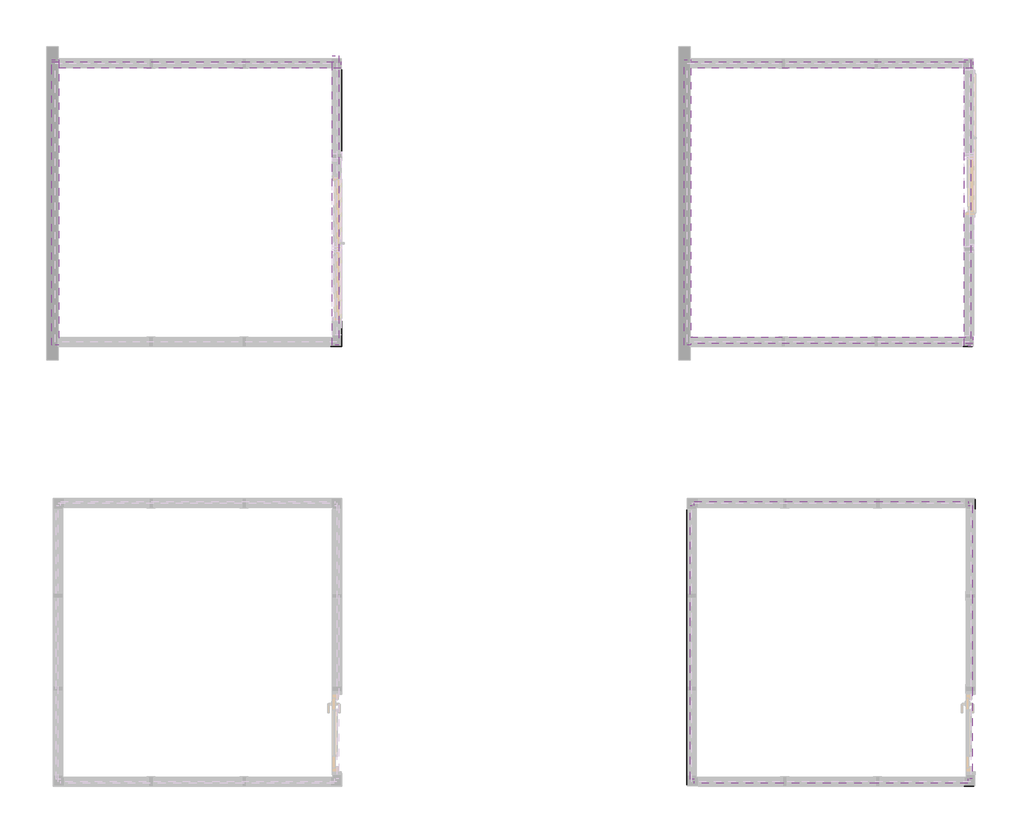
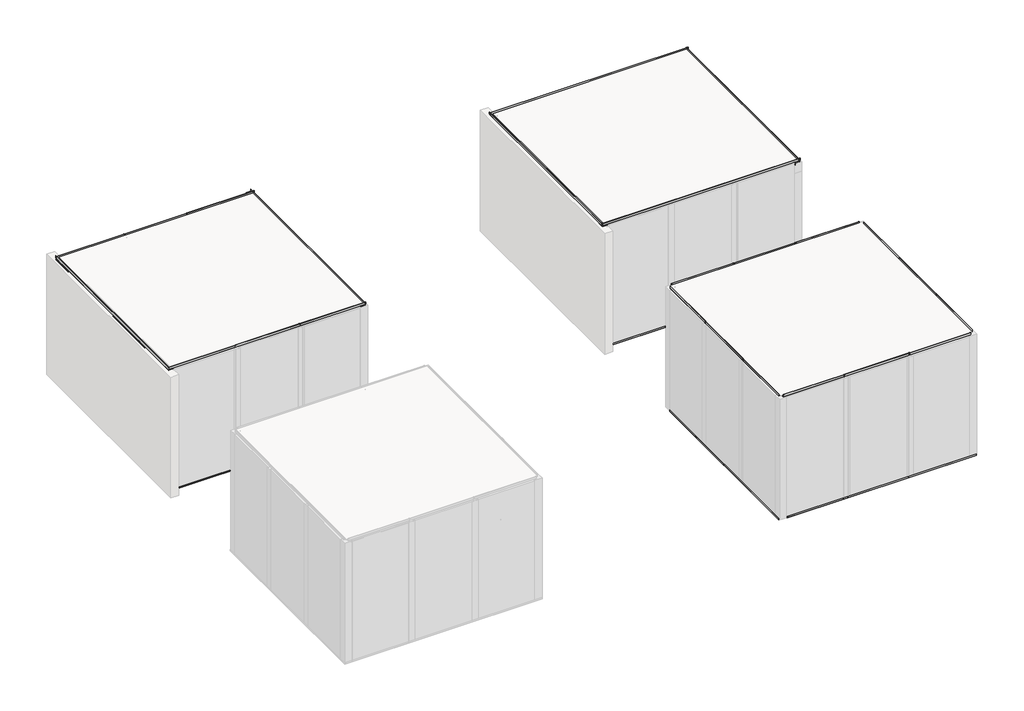
# One storey, part 4 of 4: 9 proxies.
"""IFC4 building model written with IfcOpenShell, lengths in millimetres."""

import ifcopenshell
import ifcopenshell.guid

model = None  # the IFC model being written
_history = None  # IfcOwnerHistory: only IFC2X3 demands one
_inside = {}  # id of a spatial element -> (the spatial element, [elements in it])
_under = {}  # id of a project, library or spatial element -> (it, [spatial elements below it])
_declared = {}  # id of a project -> (the project, [libraries it declares])
_typed = {}  # id of a type object -> (the type object, [elements of that type])
_made_of = {}  # id of a material, layer set ... -> (it, [elements and type objects made of it])


def new_model(schema):
    """Start an empty IFC model of exactly this schema.

    Asked for "IFC4X3", IfcOpenShell would pick the latest addendum, in which some entities
    have other attributes; the version numbers below select the first issue.
    IFC2X3 requires an IfcOwnerHistory on every rooted entity: one is made here for all.
    """
    global model, _history
    if schema == "IFC4X3":
        model = ifcopenshell.file(schema_version=(4, 3, 0, 0))
    else:
        model = ifcopenshell.file(schema=schema)
    _inside.clear()
    _under.clear()
    _declared.clear()
    _typed.clear()
    _made_of.clear()
    _history = None
    if model.schema == "IFC2X3":
        org = make("IfcOrganization", Name="unknown")
        user = make(
            "IfcPersonAndOrganization",
            ThePerson=make("IfcPerson", FamilyName="unknown"),
            TheOrganization=org,
        )
        app = make(
            "IfcApplication",
            ApplicationDeveloper=org,
            Version="unknown",
            ApplicationFullName="unknown",
            ApplicationIdentifier="unknown",
        )
        _history = make(
            "IfcOwnerHistory",
            OwningUser=user,
            OwningApplication=app,
            ChangeAction="ADDED",
            CreationDate=0,
        )
    return model


def make(cls, **values):
    """One entity of the class cls with the attributes given. An attribute that is None is left unset."""
    return model.create_entity(
        cls, **{name: value for name, value in values.items() if value is not None}
    )


def rooted(cls, **values):
    """An entity with a GlobalId (a new one), such as an element, a storey or a relation."""
    return make(cls, GlobalId=ifcopenshell.guid.new(), OwnerHistory=_history, **values)


def si_unit(unit_type, name, prefix=None):
    """IfcSIUnit, for example si_unit("LENGTHUNIT", "METRE", prefix="MILLI")."""
    return make("IfcSIUnit", UnitType=unit_type, Prefix=prefix, Name=name)


def assignment(units):
    """IfcUnitAssignment: the units of a project."""
    return None if units is None else make("IfcUnitAssignment", Units=units)


def point(xyz):
    """IfcCartesianPoint."""
    return None if xyz is None else make("IfcCartesianPoint", Coordinates=xyz)


def direction(xyz):
    """IfcDirection."""
    return None if xyz is None else make("IfcDirection", DirectionRatios=xyz)


def frame(location, z_axis=None, x_axis=None):
    """IfcAxis2Placement3D, a coordinate frame: its origin and axes. An axis left out is left unset."""
    return make(
        "IfcAxis2Placement3D",
        Location=point(location),
        Axis=direction(z_axis),
        RefDirection=direction(x_axis),
    )


def frame_2d(location, x_axis=None):
    """IfcAxis2Placement2D, a coordinate frame in the plane: its origin and x axis."""
    return make(
        "IfcAxis2Placement2D", Location=point(location), RefDirection=direction(x_axis)
    )


def origin():
    """The frame at (0, 0, 0) with its axes left unset."""
    return frame((0.0, 0.0, 0.0))


def place(relative_to, where):
    """IfcLocalPlacement: puts the frame where relative to a parent placement (None: the world)."""
    return make(
        "IfcLocalPlacement", PlacementRelTo=relative_to, RelativePlacement=where
    )


def context(
    kind, dimensions, precision=None, world=None, true_north=None, identifier=None
):
    """IfcGeometricRepresentationContext, for example the 3D "Model" context."""
    return make(
        "IfcGeometricRepresentationContext",
        ContextIdentifier=identifier,
        ContextType=kind,
        CoordinateSpaceDimension=dimensions,
        Precision=precision,
        WorldCoordinateSystem=world,
        TrueNorth=true_north,
    )


def project(units=None, contexts=None):
    """IfcProject with its units and contexts."""
    return rooted(
        "IfcProject",
        Name="project",
        RepresentationContexts=contexts,
        UnitsInContext=assignment(units),
    )


def spatial(cls, under=None, at=None, **own):
    """A site, building, storey or space (cls), placed at a placement, below another one or the project."""
    s = rooted(cls, ObjectPlacement=at, **own)
    if under is not None:
        _under.setdefault(under.id(), (under, []))[1].append(s)
    return s


def polyline(points):
    """IfcPolyline through the points."""
    return make("IfcPolyline", Points=[point(p) for p in points])


def circle_curve(where, radius):
    """IfcCircle in the frame where."""
    return make("IfcCircle", Position=where, Radius=radius)


def trimmed(basis, trim1, trim2, sense, master):
    """IfcTrimmedCurve: the piece of a basis curve between two trims."""
    return make(
        "IfcTrimmedCurve",
        BasisCurve=basis,
        Trim1=trim1,
        Trim2=trim2,
        SenseAgreement=sense,
        MasterRepresentation=master,
    )


def segment(curve, same_sense, transition):
    """IfcCompositeCurveSegment."""
    return make(
        "IfcCompositeCurveSegment",
        Transition=transition,
        SameSense=same_sense,
        ParentCurve=curve,
    )


def composite_curve(segments, self_intersect=None):
    """IfcCompositeCurve: segments joined end to end."""
    return make("IfcCompositeCurve", Segments=segments, SelfIntersect=self_intersect)


def outline(outer, holes=None, kind="AREA"):
    """IfcArbitraryClosedProfileDef: a profile drawn as a closed curve; with holes, ...WithVoids."""
    if holes is None:
        return make("IfcArbitraryClosedProfileDef", ProfileType=kind, OuterCurve=outer)
    return make(
        "IfcArbitraryProfileDefWithVoids",
        ProfileType=kind,
        OuterCurve=outer,
        InnerCurves=holes,
    )


def extrude(swept, where, along, depth):
    """IfcExtrudedAreaSolid: the profile swept, set in the frame where, extruded along a direction by depth."""
    return make(
        "IfcExtrudedAreaSolid",
        SweptArea=swept,
        Position=where,
        ExtrudedDirection=direction(along),
        Depth=depth,
    )


def faces_of(points, faces, orient=None, outer=None):
    """IfcFace entities. A face is a list of loops; a loop is a list of indices into points, from 0.

    orient and outer hold one flag for each loop. By default every Orientation is true, the
    first loop of a face is its IfcFaceOuterBound and the others are IfcFaceBound.
    """
    made = []
    for i, loops in enumerate(faces):
        bounds = []
        for j, loop in enumerate(loops):
            is_outer = j == 0 if outer is None else outer[i][j]
            bounds.append(
                make(
                    "IfcFaceOuterBound" if is_outer else "IfcFaceBound",
                    Bound=make("IfcPolyLoop", Polygon=[points[k] for k in loop]),
                    Orientation=True if orient is None else orient[i][j],
                )
            )
        made.append(make("IfcFace", Bounds=bounds))
    return made


def faceted_brep(points, faces, orient=None, outer=None, voids=None):
    """IfcFacetedBrep: a solid bounded by flat faces; with voids (closed shells), ...WithVoids."""
    shared = [point(p) for p in points]
    hull = make("IfcClosedShell", CfsFaces=faces_of(shared, faces, orient, outer))
    if voids is None:
        return make("IfcFacetedBrep", Outer=hull)
    return make(
        "IfcFacetedBrepWithVoids",
        Outer=hull,
        Voids=[
            make(cls, CfsFaces=faces_of(shared, fs, o, b)) for cls, fs, o, b in voids
        ],
    )


def shape(context_of_items, identifier, shape_type, items):
    """IfcShapeRepresentation: the items that make up one representation, for example the "Body"."""
    return make(
        "IfcShapeRepresentation",
        ContextOfItems=context_of_items,
        RepresentationIdentifier=identifier,
        RepresentationType=shape_type,
        Items=items,
    )


def made_of(thing, what):
    """Note that an element or type object is made of a material, layer set ...; save() writes the relation."""
    if what is not None:
        _made_of.setdefault(what.id(), (what, []))[1].append(thing)
    return thing


def element(
    cls,
    number,
    at=None,
    inside=None,
    cuts=None,
    type_object=None,
    material=None,
    context=None,
    identifier="Body",
    shape_type=None,
    held_by="IfcProductDefinitionShape",
    body=None,
    shapes=None,
    **own,
):
    """One element of the class cls, such as IfcWall. Its Tag is "e" and its number.

    at: its placement. inside: the storey or other place that contains it. cuts: it is an
    opening in that element (IfcRelVoidsElement). A single representation is given by context,
    identifier, shape_type and body (its items); several are given by shapes. held_by: the class
    of the entity that holds the representations. save() writes the other relations.
    """
    e = rooted(cls, Tag="e%d" % number, ObjectPlacement=at, **own)
    if body is not None:
        shapes = [shape(context, identifier, shape_type, body)]
    if shapes is not None:
        e.Representation = make(held_by, Representations=shapes)
    if inside is not None:
        _inside.setdefault(inside.id(), (inside, []))[1].append(e)
    if cuts is not None:
        rooted(
            "IfcRelVoidsElement", RelatingBuildingElement=cuts, RelatedOpeningElement=e
        )
    if type_object is not None:
        _typed.setdefault(type_object.id(), (type_object, []))[1].append(e)
    return made_of(e, material)


def aggregate(whole, parts):
    """IfcRelAggregates: a whole, such as a stair, and the parts it consists of."""
    return rooted("IfcRelAggregates", RelatingObject=whole, RelatedObjects=parts)


def save(model, path):
    """Write the relations noted so far, then the file.

    IfcRelAggregates (storeys below a building ...), IfcRelContainedInSpatialStructure (elements
    in a storey), IfcRelDefinesByType, IfcRelAssociatesMaterial and IfcRelDeclares: one each for
    every whole, place, type object, material and project.
    """
    for whole, parts in _under.values():
        aggregate(whole, parts)
    for where, things in _inside.values():
        rooted(
            "IfcRelContainedInSpatialStructure",
            RelatedElements=things,
            RelatingStructure=where,
        )
    for kind, things in _typed.values():
        rooted("IfcRelDefinesByType", RelatedObjects=things, RelatingType=kind)
    for what, things in _made_of.values():
        rooted("IfcRelAssociatesMaterial", RelatedObjects=things, RelatingMaterial=what)
    for by, libraries in _declared.values():
        rooted("IfcRelDeclares", RelatingContext=by, RelatedDefinitions=libraries)
    model.write(path)


model = new_model("IFC4")

# Units and contexts
model_context = context("Model", 3, world=origin())
ifc_project = project(units=[si_unit("LENGTHUNIT", "METRE", prefix="MILLI")], contexts=[model_context])

# Site, building, storey
site = spatial("IfcSite", under=ifc_project)
building = spatial("IfcBuilding", under=site)
storey = spatial("IfcBuildingStorey", under=building, Elevation=0.0)

# Proxies
placement = place(None, origin())
element("IfcBuildingElementProxy", 1, Name="Wall Sweeps", at=placement, inside=storey, context=model_context, shape_type="SweptSolid", body=[
    extrude(outline(composite_curve([segment(trimmed(circle_curve(frame_2d((2402.68125, 13834.0864994)), 1.190625), [point((2402.68125, 13832.8958744))], [point((2402.68125, 13835.2771244))], False, "CARTESIAN"), True, "CONTINUOUS"), segment(polyline([(2402.68125, 13835.2771244), (2438.4, 13835.2771244), (2438.4, 13917.8271244), (2402.68125, 13917.8271244)]), True, "CONTINUOUS"), segment(trimmed(circle_curve(frame_2d((2402.68125, 13919.0177494)), 1.190625), [point((2402.68125, 13917.8271244))], [point((2402.68125, 13920.2083744))], False, "CARTESIAN"), True, "CONTINUOUS"), segment(polyline([(2402.68125, 13920.2083744), (2438.4, 13920.2083744), (2440.78125, 13920.2083744), (2440.78125, 13835.2771244), (2483.8421875, 13835.2771244)]), True, "CONTINUOUS"), segment(trimmed(circle_curve(frame_2d((2483.8421875, 13834.0864994)), 1.190625), [point((2483.8421875, 13835.2771244))], [point((2483.8421875, 13832.8958744))], False, "CARTESIAN"), True, "CONTINUOUS"), segment(polyline([(2483.8421875, 13832.8958744), (2402.68125, 13832.8958744)]), True, "CONTINUOUS")], self_intersect=False)), frame((0.0, 1702.3603311, 0.0), z_axis=(0.0, 1.0, 0.0), x_axis=(0.0, 0.0, 1.0)), (0.0, 0.0, 1.0), 1187.4500003),
    extrude(outline(composite_curve([segment(trimmed(circle_curve(frame_2d((2402.68125, 13834.0864994)), 1.190625), [point((2402.68125, 13832.8958744))], [point((2402.68125, 13835.2771244))], False, "CARTESIAN"), True, "CONTINUOUS"), segment(polyline([(2402.68125, 13835.2771244), (2438.4, 13835.2771244), (2438.4, 13917.8271244), (2402.68125, 13917.8271244)]), True, "CONTINUOUS"), segment(trimmed(circle_curve(frame_2d((2402.68125, 13919.0177494)), 1.190625), [point((2402.68125, 13917.8271244))], [point((2402.68125, 13920.2083744))], False, "CARTESIAN"), True, "CONTINUOUS"), segment(polyline([(2402.68125, 13920.2083744), (2438.4, 13920.2083744), (2440.78125, 13920.2083744), (2440.78125, 13835.2771244), (2483.8421875, 13835.2771244)]), True, "CONTINUOUS"), segment(trimmed(circle_curve(frame_2d((2483.8421875, 13834.0864994)), 1.190625), [point((2483.8421875, 13835.2771244))], [point((2483.8421875, 13832.8958744))], False, "CARTESIAN"), True, "CONTINUOUS"), segment(polyline([(2483.8421875, 13832.8958744), (2402.68125, 13832.8958744)]), True, "CONTINUOUS")], self_intersect=False)), frame((0.0, 2876.4219175, 0.0), z_axis=(0.0, 1.0, 0.0), x_axis=(0.0, 0.0, 1.0)), (0.0, 0.0, 1.0), 1264.0407577),
    extrude(outline(composite_curve([segment(trimmed(circle_curve(frame_2d((5350.0384561, 2402.68125)), 1.190625), [point((5351.2290811, 2402.68125))], [point((5348.8478311, 2402.68125))], False, "CARTESIAN"), True, "CONTINUOUS"), segment(polyline([(5348.8478311, 2402.68125), (5348.8478311, 2438.4), (5266.2978311, 2438.4), (5266.2978311, 2402.68125)]), True, "CONTINUOUS"), segment(trimmed(circle_curve(frame_2d((5265.1072061, 2402.68125)), 1.190625), [point((5266.2978311, 2402.68125))], [point((5263.9165811, 2402.68125))], False, "CARTESIAN"), True, "CONTINUOUS"), segment(polyline([(5263.9165811, 2402.68125), (5263.9165811, 2438.4), (5263.9165811, 2440.78125), (5348.8478311, 2440.78125), (5348.8478311, 2483.8421875)]), True, "CONTINUOUS"), segment(trimmed(circle_curve(frame_2d((5350.0384561, 2483.8421875)), 1.190625), [point((5348.8478311, 2483.8421875))], [point((5351.2290811, 2483.8421875))], False, "CARTESIAN"), True, "CONTINUOUS"), segment(polyline([(5351.2290811, 2483.8421875), (5351.2290811, 2402.68125)]), True, "CONTINUOUS")], self_intersect=False)), frame((13887.6646244, 0.0, 0.0), z_axis=(1.0, 0.0, 0.0), x_axis=(0.0, 1.0, 0.0)), (0.0, 0.0, 1.0), 1187.4500003),
    extrude(outline(composite_curve([segment(trimmed(circle_curve(frame_2d((5350.0384561, 2402.68125)), 1.190625), [point((5351.2290811, 2402.68125))], [point((5348.8478311, 2402.68125))], False, "CARTESIAN"), True, "CONTINUOUS"), segment(polyline([(5348.8478311, 2402.68125), (5348.8478311, 2438.4), (5266.2978311, 2438.4), (5266.2978311, 2402.68125)]), True, "CONTINUOUS"), segment(trimmed(circle_curve(frame_2d((5265.1072061, 2402.68125)), 1.190625), [point((5266.2978311, 2402.68125))], [point((5263.9165811, 2402.68125))], False, "CARTESIAN"), True, "CONTINUOUS"), segment(polyline([(5263.9165811, 2402.68125), (5263.9165811, 2438.4), (5263.9165811, 2440.78125), (5348.8478311, 2440.78125), (5348.8478311, 2483.8421875)]), True, "CONTINUOUS"), segment(trimmed(circle_curve(frame_2d((5350.0384561, 2483.8421875)), 1.190625), [point((5348.8478311, 2483.8421875))], [point((5351.2290811, 2483.8421875))], False, "CARTESIAN"), True, "CONTINUOUS"), segment(polyline([(5351.2290811, 2483.8421875), (5351.2290811, 2402.68125)]), True, "CONTINUOUS")], self_intersect=False)), frame((15075.1146247, 0.0, 0.0), z_axis=(1.0, 0.0, 0.0), x_axis=(0.0, 1.0, 0.0)), (0.0, 0.0, 1.0), 1187.7476562),
    extrude(outline(composite_curve([segment(polyline([(1647.5915811, 2402.68125), (1647.5915811, 2483.8421875)]), True, "CONTINUOUS"), segment(trimmed(circle_curve(frame_2d((1648.7822061, 2483.8421875)), 1.190625), [point((1647.5915811, 2483.8421875))], [point((1649.9728311, 2483.8421875))], False, "CARTESIAN"), True, "CONTINUOUS"), segment(polyline([(1649.9728311, 2483.8421875), (1649.9728311, 2440.78125), (1734.9040811, 2440.78125), (1734.9040811, 2438.4), (1734.9040811, 2402.68125)]), True, "CONTINUOUS"), segment(trimmed(circle_curve(frame_2d((1733.7134561, 2402.68125)), 1.190625), [point((1734.9040811, 2402.68125))], [point((1732.5228311, 2402.68125))], False, "CARTESIAN"), True, "CONTINUOUS"), segment(polyline([(1732.5228311, 2402.68125), (1732.5228311, 2438.4), (1649.9728311, 2438.4), (1649.9728311, 2402.68125)]), True, "CONTINUOUS"), segment(trimmed(circle_curve(frame_2d((1648.7822061, 2402.68125)), 1.190625), [point((1649.9728311, 2402.68125))], [point((1647.5915811, 2402.68125))], False, "CARTESIAN"), True, "CONTINUOUS")], self_intersect=False)), frame((15049.3238664, 0.0, 0.0), z_axis=(1.0, 0.0, 0.0), x_axis=(0.0, 1.0, 0.0)), (0.0, 0.0, 1.0), 1257.6907577),
    extrude(outline(composite_curve([segment(polyline([(1647.5915811, 2402.68125), (1647.5915811, 2483.8421875)]), True, "CONTINUOUS"), segment(trimmed(circle_curve(frame_2d((1648.7822061, 2483.8421875)), 1.190625), [point((1647.5915811, 2483.8421875))], [point((1649.9728311, 2483.8421875))], False, "CARTESIAN"), True, "CONTINUOUS"), segment(polyline([(1649.9728311, 2483.8421875), (1649.9728311, 2440.78125), (1734.9040811, 2440.78125), (1734.9040811, 2438.4), (1734.9040811, 2402.68125)]), True, "CONTINUOUS"), segment(trimmed(circle_curve(frame_2d((1733.7134561, 2402.68125)), 1.190625), [point((1734.9040811, 2402.68125))], [point((1732.5228311, 2402.68125))], False, "CARTESIAN"), True, "CONTINUOUS"), segment(polyline([(1732.5228311, 2402.68125), (1732.5228311, 2438.4), (1649.9728311, 2438.4), (1649.9728311, 2402.68125)]), True, "CONTINUOUS"), segment(trimmed(circle_curve(frame_2d((1648.7822061, 2402.68125)), 1.190625), [point((1649.9728311, 2402.68125))], [point((1647.5915811, 2402.68125))], False, "CARTESIAN"), True, "CONTINUOUS")], self_intersect=False)), frame((16294.3146241, 0.0, 0.0), z_axis=(1.0, 0.0, 0.0), x_axis=(0.0, 1.0, 0.0)), (0.0, 0.0, 1.0), 1181.1000003),
    extrude(outline(composite_curve([segment(polyline([(2402.68125, 17536.5333744), (2483.8421875, 17536.5333744)]), True, "CONTINUOUS"), segment(trimmed(circle_curve(frame_2d((2483.8421875, 17535.3427494)), 1.190625), [point((2483.8421875, 17536.5333744))], [point((2483.8421875, 17534.1521244))], False, "CARTESIAN"), True, "CONTINUOUS"), segment(polyline([(2483.8421875, 17534.1521244), (2440.78125, 17534.1521244), (2440.78125, 17449.2208744), (2438.4, 17449.2208744), (2402.68125, 17449.2208744)]), True, "CONTINUOUS"), segment(trimmed(circle_curve(frame_2d((2402.68125, 17450.4114994)), 1.190625), [point((2402.68125, 17449.2208744))], [point((2402.68125, 17451.6021244))], False, "CARTESIAN"), True, "CONTINUOUS"), segment(polyline([(2402.68125, 17451.6021244), (2438.4, 17451.6021244), (2438.4, 17534.1521244), (2402.68125, 17534.1521244)]), True, "CONTINUOUS"), segment(trimmed(circle_curve(frame_2d((2402.68125, 17535.3427494)), 1.190625), [point((2402.68125, 17534.1521244))], [point((2402.68125, 17536.5333744))], False, "CARTESIAN"), True, "CONTINUOUS")], self_intersect=False)), frame((0.0, 2896.1603308, 0.0), z_axis=(0.0, 1.0, 0.0), x_axis=(0.0, 0.0, 1.0)), (0.0, 0.0, 1.0), 1225.9407577),
    extrude(outline(composite_curve([segment(polyline([(2402.68125, 17536.5333744), (2483.8421875, 17536.5333744)]), True, "CONTINUOUS"), segment(trimmed(circle_curve(frame_2d((2483.8421875, 17535.3427494)), 1.190625), [point((2483.8421875, 17536.5333744))], [point((2483.8421875, 17534.1521244))], False, "CARTESIAN"), True, "CONTINUOUS"), segment(polyline([(2483.8421875, 17534.1521244), (2440.78125, 17534.1521244), (2440.78125, 17449.2208744), (2438.4, 17449.2208744), (2402.68125, 17449.2208744)]), True, "CONTINUOUS"), segment(trimmed(circle_curve(frame_2d((2402.68125, 17450.4114994)), 1.190625), [point((2402.68125, 17449.2208744))], [point((2402.68125, 17451.6021244))], False, "CARTESIAN"), True, "CONTINUOUS"), segment(polyline([(2402.68125, 17451.6021244), (2438.4, 17451.6021244), (2438.4, 17534.1521244), (2402.68125, 17534.1521244)]), True, "CONTINUOUS"), segment(trimmed(circle_curve(frame_2d((2402.68125, 17535.3427494)), 1.190625), [point((2402.68125, 17534.1521244))], [point((2402.68125, 17536.5333744))], False, "CARTESIAN"), True, "CONTINUOUS")], self_intersect=False)), frame((0.0, 4109.0103308, 0.0), z_axis=(0.0, 1.0, 0.0), x_axis=(0.0, 0.0, 1.0)), (0.0, 0.0, 1.0), 1187.4500003),
    extrude(outline(composite_curve([segment(trimmed(circle_curve(frame_2d((2402.68125, 13834.0864994)), 1.190625), [point((2402.68125, 13832.8958744))], [point((2402.68125, 13835.2771244))], False, "CARTESIAN"), True, "CONTINUOUS"), segment(polyline([(2402.68125, 13835.2771244), (2438.4, 13835.2771244), (2438.4, 13917.8271244), (2402.68125, 13917.8271244)]), True, "CONTINUOUS"), segment(trimmed(circle_curve(frame_2d((2402.68125, 13919.0177494)), 1.190625), [point((2402.68125, 13917.8271244))], [point((2402.68125, 13920.2083744))], False, "CARTESIAN"), True, "CONTINUOUS"), segment(polyline([(2402.68125, 13920.2083744), (2438.4, 13920.2083744), (2440.78125, 13920.2083744), (2440.78125, 13835.2771244), (2483.8421875, 13835.2771244)]), True, "CONTINUOUS"), segment(trimmed(circle_curve(frame_2d((2483.8421875, 13834.0864994)), 1.190625), [point((2483.8421875, 13835.2771244))], [point((2483.8421875, 13832.8958744))], False, "CARTESIAN"), True, "CONTINUOUS"), segment(polyline([(2483.8421875, 13832.8958744), (2402.68125, 13832.8958744)]), True, "CONTINUOUS")], self_intersect=False)), frame((0.0, 4127.8690019, 0.0), z_axis=(0.0, 1.0, 0.0), x_axis=(0.0, 0.0, 1.0)), (0.0, 0.0, 1.0), 1168.5913292),
    extrude(outline(composite_curve([segment(polyline([(2402.68125, 17536.5333744), (2483.8421875, 17536.5333744)]), True, "CONTINUOUS"), segment(trimmed(circle_curve(frame_2d((2483.8421875, 17535.3427494)), 1.190625), [point((2483.8421875, 17536.5333744))], [point((2483.8421875, 17534.1521244))], False, "CARTESIAN"), True, "CONTINUOUS"), segment(polyline([(2483.8421875, 17534.1521244), (2440.78125, 17534.1521244), (2440.78125, 17449.2208744), (2438.4, 17449.2208744), (2402.68125, 17449.2208744)]), True, "CONTINUOUS"), segment(trimmed(circle_curve(frame_2d((2402.68125, 17450.4114994)), 1.190625), [point((2402.68125, 17449.2208744))], [point((2402.68125, 17451.6021244))], False, "CARTESIAN"), True, "CONTINUOUS"), segment(polyline([(2402.68125, 17451.6021244), (2438.4, 17451.6021244), (2438.4, 17534.1521244), (2402.68125, 17534.1521244)]), True, "CONTINUOUS"), segment(trimmed(circle_curve(frame_2d((2402.68125, 17535.3427494)), 1.190625), [point((2402.68125, 17534.1521244))], [point((2402.68125, 17536.5333744))], False, "CARTESIAN"), True, "CONTINUOUS")], self_intersect=False)), frame((0.0, 1708.7103311, 0.0), z_axis=(0.0, 1.0, 0.0), x_axis=(0.0, 0.0, 1.0)), (0.0, 0.0, 1.0), 1200.3413292),
    extrude(outline(composite_curve([segment(trimmed(circle_curve(frame_2d((5350.0384561, 2402.68125)), 1.190625), [point((5351.2290811, 2402.68125))], [point((5348.8478311, 2402.68125))], False, "CARTESIAN"), True, "CONTINUOUS"), segment(polyline([(5348.8478311, 2402.68125), (5348.8478311, 2438.4), (5266.2978311, 2438.4), (5266.2978311, 2402.68125)]), True, "CONTINUOUS"), segment(trimmed(circle_curve(frame_2d((5265.1072061, 2402.68125)), 1.190625), [point((5266.2978311, 2402.68125))], [point((5263.9165811, 2402.68125))], False, "CARTESIAN"), True, "CONTINUOUS"), segment(polyline([(5263.9165811, 2402.68125), (5263.9165811, 2438.4), (5263.9165811, 2440.78125), (5348.8478311, 2440.78125), (5348.8478311, 2483.8421875)]), True, "CONTINUOUS"), segment(trimmed(circle_curve(frame_2d((5350.0384561, 2483.8421875)), 1.190625), [point((5348.8478311, 2483.8421875))], [point((5351.2290811, 2483.8421875))], False, "CARTESIAN"), True, "CONTINUOUS"), segment(polyline([(5351.2290811, 2483.8421875), (5351.2290811, 2402.68125)]), True, "CONTINUOUS")], self_intersect=False)), frame((16249.7715232, 0.0, 0.0), z_axis=(1.0, 0.0, 0.0), x_axis=(0.0, 1.0, 0.0)), (0.0, 0.0, 1.0), 1231.9931011),
    extrude(outline(composite_curve([segment(polyline([(1647.5915811, 2402.68125), (1647.5915811, 2483.8421875)]), True, "CONTINUOUS"), segment(trimmed(circle_curve(frame_2d((1648.7822061, 2483.8421875)), 1.190625), [point((1647.5915811, 2483.8421875))], [point((1649.9728311, 2483.8421875))], False, "CARTESIAN"), True, "CONTINUOUS"), segment(polyline([(1649.9728311, 2483.8421875), (1649.9728311, 2440.78125), (1734.9040811, 2440.78125), (1734.9040811, 2438.4), (1734.9040811, 2402.68125)]), True, "CONTINUOUS"), segment(trimmed(circle_curve(frame_2d((1733.7134561, 2402.68125)), 1.190625), [point((1734.9040811, 2402.68125))], [point((1732.5228311, 2402.68125))], False, "CARTESIAN"), True, "CONTINUOUS"), segment(polyline([(1732.5228311, 2402.68125), (1732.5228311, 2438.4), (1649.9728311, 2438.4), (1649.9728311, 2402.68125)]), True, "CONTINUOUS"), segment(trimmed(circle_curve(frame_2d((1648.7822061, 2402.68125)), 1.190625), [point((1649.9728311, 2402.68125))], [point((1647.5915811, 2402.68125))], False, "CARTESIAN"), True, "CONTINUOUS")], self_intersect=False)), frame((13887.6646244, 0.0, 0.0), z_axis=(1.0, 0.0, 0.0), x_axis=(0.0, 1.0, 0.0)), (0.0, 0.0, 1.0), 1174.75),
])
element("IfcBuildingElementProxy", 2, Name="Wall Sweeps", at=placement, inside=storey, context=model_context, shape_type="SweptSolid", body=[
    extrude(outline(composite_curve([segment(trimmed(circle_curve(frame_2d((11123.2155919, 2402.68125)), 1.190625), [point((11124.4062169, 2402.68125))], [point((11122.0249669, 2402.68125))], False, "CARTESIAN"), True, "CONTINUOUS"), segment(polyline([(11122.0249669, 2402.68125), (11122.0249669, 2438.4), (11039.4749669, 2438.4), (11039.4749669, 2402.68125)]), True, "CONTINUOUS"), segment(trimmed(circle_curve(frame_2d((11038.2843419, 2402.68125)), 1.190625), [point((11039.4749669, 2402.68125))], [point((11037.0937169, 2402.68125))], False, "CARTESIAN"), True, "CONTINUOUS"), segment(polyline([(11037.0937169, 2402.68125), (11037.0937169, 2438.4), (11037.0937169, 2440.78125), (11122.0249669, 2440.78125), (11122.0249669, 2483.8421875)]), True, "CONTINUOUS"), segment(trimmed(circle_curve(frame_2d((11123.2155919, 2483.8421875)), 1.190625), [point((11122.0249669, 2483.8421875))], [point((11124.4062169, 2483.8421875))], False, "CARTESIAN"), True, "CONTINUOUS"), segment(polyline([(11124.4062169, 2483.8421875), (11124.4062169, 2402.68125)]), True, "CONTINUOUS")], self_intersect=False)), frame((5459.8632581, 0.0, 0.0), z_axis=(1.0, 0.0, 0.0), x_axis=(0.0, 1.0, 0.0)), (0.0, 0.0, 1.0), 1302.4979793),
    extrude(outline(composite_curve([segment(trimmed(circle_curve(frame_2d((11123.2155919, 2402.68125)), 1.190625), [point((11124.4062169, 2402.68125))], [point((11122.0249669, 2402.68125))], False, "CARTESIAN"), True, "CONTINUOUS"), segment(polyline([(11122.0249669, 2402.68125), (11122.0249669, 2438.4), (11039.4749669, 2438.4), (11039.4749669, 2402.68125)]), True, "CONTINUOUS"), segment(trimmed(circle_curve(frame_2d((11038.2843419, 2402.68125)), 1.190625), [point((11039.4749669, 2402.68125))], [point((11037.0937169, 2402.68125))], False, "CARTESIAN"), True, "CONTINUOUS"), segment(polyline([(11037.0937169, 2402.68125), (11037.0937169, 2438.4), (11037.0937169, 2440.78125), (11122.0249669, 2440.78125), (11122.0249669, 2483.8421875)]), True, "CONTINUOUS"), segment(trimmed(circle_curve(frame_2d((11123.2155919, 2483.8421875)), 1.190625), [point((11122.0249669, 2483.8421875))], [point((11124.4062169, 2483.8421875))], False, "CARTESIAN"), True, "CONTINUOUS"), segment(polyline([(11124.4062169, 2483.8421875), (11124.4062169, 2402.68125)]), True, "CONTINUOUS")], self_intersect=False)), frame((6762.3612374, 0.0, 0.0), z_axis=(1.0, 0.0, 0.0), x_axis=(0.0, 1.0, 0.0)), (0.0, 0.0, 1.0), 1200.3494284),
    extrude(outline(composite_curve([segment(polyline([(7420.7687169, 2402.68125), (7420.7687169, 2483.8421875)]), True, "CONTINUOUS"), segment(trimmed(circle_curve(frame_2d((7421.9593419, 2483.8421875)), 1.190625), [point((7420.7687169, 2483.8421875))], [point((7423.1499669, 2483.8421875))], False, "CARTESIAN"), True, "CONTINUOUS"), segment(polyline([(7423.1499669, 2483.8421875), (7423.1499669, 2440.78125), (7508.0812169, 2440.78125), (7508.0812169, 2438.4), (7508.0812169, 2402.68125)]), True, "CONTINUOUS"), segment(trimmed(circle_curve(frame_2d((7506.8905919, 2402.68125)), 1.190625), [point((7508.0812169, 2402.68125))], [point((7505.6999669, 2402.68125))], False, "CARTESIAN"), True, "CONTINUOUS"), segment(polyline([(7505.6999669, 2402.68125), (7505.6999669, 2438.4), (7423.1499669, 2438.4), (7423.1499669, 2402.68125)]), True, "CONTINUOUS"), segment(trimmed(circle_curve(frame_2d((7421.9593419, 2402.68125)), 1.190625), [point((7423.1499669, 2402.68125))], [point((7420.7687169, 2402.68125))], False, "CARTESIAN"), True, "CONTINUOUS")], self_intersect=False)), frame((6750.4805361, 0.0, 0.0), z_axis=(1.0, 0.0, 0.0), x_axis=(0.0, 1.0, 0.0)), (0.0, 0.0, 1.0), 1231.0807007),
    extrude(outline(composite_curve([segment(polyline([(7420.7687169, 2402.68125), (7420.7687169, 2483.8421875)]), True, "CONTINUOUS"), segment(trimmed(circle_curve(frame_2d((7421.9593419, 2483.8421875)), 1.190625), [point((7420.7687169, 2483.8421875))], [point((7423.1499669, 2483.8421875))], False, "CARTESIAN"), True, "CONTINUOUS"), segment(polyline([(7423.1499669, 2483.8421875), (7423.1499669, 2440.78125), (7508.0812169, 2440.78125), (7508.0812169, 2438.4), (7508.0812169, 2402.68125)]), True, "CONTINUOUS"), segment(trimmed(circle_curve(frame_2d((7506.8905919, 2402.68125)), 1.190625), [point((7508.0812169, 2402.68125))], [point((7505.6999669, 2402.68125))], False, "CARTESIAN"), True, "CONTINUOUS"), segment(polyline([(7505.6999669, 2402.68125), (7505.6999669, 2438.4), (7423.1499669, 2438.4), (7423.1499669, 2402.68125)]), True, "CONTINUOUS"), segment(trimmed(circle_curve(frame_2d((7421.9593419, 2402.68125)), 1.190625), [point((7423.1499669, 2402.68125))], [point((7420.7687169, 2402.68125))], False, "CARTESIAN"), True, "CONTINUOUS")], self_intersect=False)), frame((7981.5612368, 0.0, 0.0), z_axis=(1.0, 0.0, 0.0), x_axis=(0.0, 1.0, 0.0)), (0.0, 0.0, 1.0), 1262.2192405),
    extrude(outline(composite_curve([segment(trimmed(circle_curve(frame_2d((11123.2155919, 2402.68125)), 1.190625), [point((11124.4062169, 2402.68125))], [point((11122.0249669, 2402.68125))], False, "CARTESIAN"), True, "CONTINUOUS"), segment(polyline([(11122.0249669, 2402.68125), (11122.0249669, 2438.4), (11039.4749669, 2438.4), (11039.4749669, 2402.68125)]), True, "CONTINUOUS"), segment(trimmed(circle_curve(frame_2d((11038.2843419, 2402.68125)), 1.190625), [point((11039.4749669, 2402.68125))], [point((11037.0937169, 2402.68125))], False, "CARTESIAN"), True, "CONTINUOUS"), segment(polyline([(11037.0937169, 2402.68125), (11037.0937169, 2438.4), (11037.0937169, 2440.78125), (11122.0249669, 2440.78125), (11122.0249669, 2483.8421875)]), True, "CONTINUOUS"), segment(trimmed(circle_curve(frame_2d((11123.2155919, 2483.8421875)), 1.190625), [point((11122.0249669, 2483.8421875))], [point((11124.4062169, 2483.8421875))], False, "CARTESIAN"), True, "CONTINUOUS"), segment(polyline([(11124.4062169, 2483.8421875), (11124.4062169, 2402.68125)]), True, "CONTINUOUS")], self_intersect=False)), frame((7949.643743, 0.0, 0.0), z_axis=(1.0, 0.0, 0.0), x_axis=(0.0, 1.0, 0.0)), (0.0, 0.0, 1.0), 1301.0532877),
    extrude(outline(composite_curve([segment(polyline([(7420.7687169, 2402.68125), (7420.7687169, 2483.8421875)]), True, "CONTINUOUS"), segment(trimmed(circle_curve(frame_2d((7421.9593419, 2483.8421875)), 1.190625), [point((7420.7687169, 2483.8421875))], [point((7423.1499669, 2483.8421875))], False, "CARTESIAN"), True, "CONTINUOUS"), segment(polyline([(7423.1499669, 2483.8421875), (7423.1499669, 2440.78125), (7508.0812169, 2440.78125), (7508.0812169, 2438.4), (7508.0812169, 2402.68125)]), True, "CONTINUOUS"), segment(trimmed(circle_curve(frame_2d((7506.8905919, 2402.68125)), 1.190625), [point((7508.0812169, 2402.68125))], [point((7505.6999669, 2402.68125))], False, "CARTESIAN"), True, "CONTINUOUS"), segment(polyline([(7505.6999669, 2402.68125), (7505.6999669, 2438.4), (7423.1499669, 2438.4), (7423.1499669, 2402.68125)]), True, "CONTINUOUS"), segment(trimmed(circle_curve(frame_2d((7421.9593419, 2402.68125)), 1.190625), [point((7423.1499669, 2402.68125))], [point((7420.7687169, 2402.68125))], False, "CARTESIAN"), True, "CONTINUOUS")], self_intersect=False)), frame((5461.698621, 0.0, 0.0), z_axis=(1.0, 0.0, 0.0), x_axis=(0.0, 1.0, 0.0)), (0.0, 0.0, 1.0), 1301.9413292),
])
element("IfcBuildingElementProxy", 3, Name="Wall Sweeps", at=placement, inside=storey, context=model_context, shape_type="SweptSolid", body=[
    extrude(outline(composite_curve([segment(polyline([(7420.7687169, 2402.68125), (7420.7687169, 2483.8421875)]), True, "CONTINUOUS"), segment(trimmed(circle_curve(frame_2d((7421.9593419, 2483.8421875)), 1.190625), [point((7420.7687169, 2483.8421875))], [point((7423.1499669, 2483.8421875))], False, "CARTESIAN"), True, "CONTINUOUS"), segment(polyline([(7423.1499669, 2483.8421875), (7423.1499669, 2440.78125), (7508.0812169, 2440.78125), (7508.0812169, 2438.4), (7508.0812169, 2402.68125)]), True, "CONTINUOUS"), segment(trimmed(circle_curve(frame_2d((7506.8905919, 2402.68125)), 1.190625), [point((7508.0812169, 2402.68125))], [point((7505.6999669, 2402.68125))], False, "CARTESIAN"), True, "CONTINUOUS"), segment(polyline([(7505.6999669, 2402.68125), (7505.6999669, 2438.4), (7423.1499669, 2438.4), (7423.1499669, 2402.68125)]), True, "CONTINUOUS"), segment(trimmed(circle_curve(frame_2d((7421.9593419, 2402.68125)), 1.190625), [point((7423.1499669, 2402.68125))], [point((7420.7687169, 2402.68125))], False, "CARTESIAN"), True, "CONTINUOUS")], self_intersect=False)), frame((13755.6102422, 0.0, 0.0), z_axis=(1.0, 0.0, 0.0), x_axis=(0.0, 1.0, 0.0)), (0.0, 0.0, 1.0), 3788.6375209),
    extrude(outline(composite_curve([segment(trimmed(circle_curve(frame_2d((11123.2155919, 2402.68125)), 1.190625), [point((11124.4062169, 2402.68125))], [point((11122.0249669, 2402.68125))], False, "CARTESIAN"), True, "CONTINUOUS"), segment(polyline([(11122.0249669, 2402.68125), (11122.0249669, 2438.4), (11039.4749669, 2438.4), (11039.4749669, 2402.68125)]), True, "CONTINUOUS"), segment(trimmed(circle_curve(frame_2d((11038.2843419, 2402.68125)), 1.190625), [point((11039.4749669, 2402.68125))], [point((11037.0937169, 2402.68125))], False, "CARTESIAN"), True, "CONTINUOUS"), segment(polyline([(11037.0937169, 2402.68125), (11037.0937169, 2438.4), (11037.0937169, 2440.78125), (11122.0249669, 2440.78125), (11122.0249669, 2483.8421875)]), True, "CONTINUOUS"), segment(trimmed(circle_curve(frame_2d((11123.2155919, 2483.8421875)), 1.190625), [point((11122.0249669, 2483.8421875))], [point((11124.4062169, 2483.8421875))], False, "CARTESIAN"), True, "CONTINUOUS"), segment(polyline([(11124.4062169, 2483.8421875), (11124.4062169, 2402.68125)]), True, "CONTINUOUS")], self_intersect=False)), frame((13755.1558651, 0.0, 0.0), z_axis=(1.0, 0.0, 0.0), x_axis=(0.0, 1.0, 0.0)), (0.0, 0.0, 1.0), 3789.1145026),
    extrude(outline(composite_curve([segment(trimmed(circle_curve(frame_2d((2402.68125, 13756.2989994)), 1.190625), [point((2402.68125, 13755.1083744))], [point((2402.68125, 13757.4896244))], False, "CARTESIAN"), True, "CONTINUOUS"), segment(polyline([(2402.68125, 13757.4896244), (2438.4, 13757.4896244), (2438.4, 13840.0396244), (2402.68125, 13840.0396244)]), True, "CONTINUOUS"), segment(trimmed(circle_curve(frame_2d((2402.68125, 13841.2302494)), 1.190625), [point((2402.68125, 13840.0396244))], [point((2402.68125, 13842.4208744))], False, "CARTESIAN"), True, "CONTINUOUS"), segment(polyline([(2402.68125, 13842.4208744), (2438.4, 13842.4208744), (2440.78125, 13842.4208744), (2440.78125, 13757.4896244), (2483.8421875, 13757.4896244)]), True, "CONTINUOUS"), segment(trimmed(circle_curve(frame_2d((2483.8421875, 13756.2989994)), 1.190625), [point((2483.8421875, 13757.4896244))], [point((2483.8421875, 13755.1083744))], False, "CARTESIAN"), True, "CONTINUOUS"), segment(polyline([(2483.8421875, 13755.1083744), (2402.68125, 13755.1083744)]), True, "CONTINUOUS")], self_intersect=False)), frame((0.0, 7400.3086935, 0.0), z_axis=(0.0, 1.0, 0.0), x_axis=(0.0, 0.0, 1.0)), (0.0, 0.0, 1.0), 3745.5287734),
])
element("IfcBuildingElementProxy", 4, Name="Wall Sweeps", at=placement, inside=storey, context=model_context, shape_type="SweptSolid", body=[
    extrude(outline(composite_curve([segment(trimmed(circle_curve(frame_2d((2402.68125, 5462.5956121)), 1.190625), [point((2402.68125, 5461.4049871))], [point((2402.68125, 5463.7862371))], False, "CARTESIAN"), True, "CONTINUOUS"), segment(polyline([(2402.68125, 5463.7862371), (2438.4, 5463.7862371), (2438.4, 5546.3362371), (2402.68125, 5546.3362371)]), True, "CONTINUOUS"), segment(trimmed(circle_curve(frame_2d((2402.68125, 5547.5268621)), 1.190625), [point((2402.68125, 5546.3362371))], [point((2402.68125, 5548.7174871))], False, "CARTESIAN"), True, "CONTINUOUS"), segment(polyline([(2402.68125, 5548.7174871), (2438.4, 5548.7174871), (2440.78125, 5548.7174871), (2440.78125, 5463.7862371), (2483.8421875, 5463.7862371)]), True, "CONTINUOUS"), segment(trimmed(circle_curve(frame_2d((2483.8421875, 5462.5956121)), 1.190625), [point((2483.8421875, 5463.7862371))], [point((2483.8421875, 5461.4049871))], False, "CARTESIAN"), True, "CONTINUOUS"), segment(polyline([(2483.8421875, 5461.4049871), (2402.68125, 5461.4049871)]), True, "CONTINUOUS")], self_intersect=False)), frame((0.0, 7400.1487104, 0.0), z_axis=(0.0, 1.0, 0.0), x_axis=(0.0, 0.0, 1.0)), (0.0, 0.0, 1.0), 3744.8585251),
])
element("IfcBuildingElementProxy", 5, Name="Wall Sweeps", at=placement, inside=storey, context=model_context, shape_type="SweptSolid", body=[
    extrude(outline(composite_curve([segment(polyline([(2402.68125, 17517.4833744), (2483.8421875, 17517.4833744)]), True, "CONTINUOUS"), segment(trimmed(circle_curve(frame_2d((2483.8421875, 17516.2927494)), 1.190625), [point((2483.8421875, 17517.4833744))], [point((2483.8421875, 17515.1021244))], False, "CARTESIAN"), True, "CONTINUOUS"), segment(polyline([(2483.8421875, 17515.1021244), (2440.78125, 17515.1021244), (2440.78125, 17430.1708744), (2438.4, 17430.1708744), (2402.68125, 17430.1708744)]), True, "CONTINUOUS"), segment(trimmed(circle_curve(frame_2d((2402.68125, 17431.3614994)), 1.190625), [point((2402.68125, 17430.1708744))], [point((2402.68125, 17432.5521244))], False, "CARTESIAN"), True, "CONTINUOUS"), segment(polyline([(2402.68125, 17432.5521244), (2438.4, 17432.5521244), (2438.4, 17515.1021244), (2402.68125, 17515.1021244)]), True, "CONTINUOUS"), segment(trimmed(circle_curve(frame_2d((2402.68125, 17516.2927494)), 1.190625), [point((2402.68125, 17515.1021244))], [point((2402.68125, 17517.4833744))], False, "CARTESIAN"), True, "CONTINUOUS")], self_intersect=False)), frame((0.0, 7394.3133738, 0.0), z_axis=(0.0, 1.0, 0.0), x_axis=(0.0, 0.0, 1.0)), (0.0, 0.0, 1.0), 3750.3409821),
])
element("IfcBuildingElementProxy", 6, Name="Wall Sweeps", at=placement, inside=storey, context=model_context, shape_type="Brep", body=[
    faceted_brep([(5543.1612371, 7380.6964069, 0.0), (5543.1612371, 7380.6964069, 25.4), (5543.1612371, 7382.4579504, 25.4), (5543.1612371, 7382.4579504, 1.5748), (5543.1612371, 7464.0287269, 1.5748), (5543.1612371, 7464.0287269, 25.4), (5543.1612371, 7465.7909054, 25.4), (5543.1612371, 7465.7909054, 0.0), (9177.1702987, 7465.7909054, 0.0), (9262.2647971, 7380.6964069, 0.0), (9177.1702987, 7465.7909054, 25.4), (9178.9324771, 7464.0287269, 25.4), (9178.9324771, 7464.0287269, 1.5748), (9260.5032537, 7382.4579504, 1.5748), (9260.5032537, 7382.4579504, 25.4), (9262.2647971, 7380.6964069, 25.4), (9262.2647971, 7532.6874669, 0.0), (9177.1702987, 7532.6874669, 0.0), (9177.1702987, 7532.6874669, 25.4), (9178.9324771, 7532.6874669, 25.4), (9178.9324771, 7532.6874669, 1.5748), (9260.5032537, 7532.6874669, 1.5748), (9260.5032537, 7532.6874669, 25.4), (9262.2647971, 7532.6874669, 25.4)], [[[0, 1, 2, 3, 4, 5, 6, 7]], [[8, 9, 0, 7]], [[10, 8, 7, 6]], [[11, 10, 6, 5]], [[12, 11, 5, 4]], [[13, 12, 4, 3]], [[14, 13, 3, 2]], [[15, 14, 2, 1]], [[9, 15, 1, 0]], [[16, 17, 18, 19, 20, 21, 22, 23]], [[17, 16, 9, 8]], [[18, 17, 8, 10]], [[19, 18, 10, 11]], [[20, 19, 11, 12]], [[21, 20, 12, 13]], [[22, 21, 13, 14]], [[23, 22, 14, 15]], [[16, 23, 15, 9]]]),
    faceted_brep([(9263.8522971, 7716.8374666, 0.0), (9178.7577987, 7716.8374666, 0.0), (9178.7577987, 7716.8374666, 25.4), (9180.5199771, 7716.8374666, 25.4), (9180.5199771, 7716.8374666, 1.5748), (9262.0907537, 7716.8374666, 1.5748), (9262.0907537, 7716.8374666, 25.4), (9263.8522971, 7716.8374666, 25.4), (9263.8522971, 7532.6874669, 0.0), (9263.8522971, 7532.6874669, 25.4), (9262.0907537, 7532.6874669, 25.4), (9262.0907537, 7532.6874669, 1.5748), (9180.5199771, 7532.6874669, 1.5748), (9180.5199771, 7532.6874669, 25.4), (9178.7577987, 7532.6874669, 25.4), (9178.7577987, 7532.6874669, 0.0)], [[[0, 1, 2, 3, 4, 5, 6, 7]], [[8, 9, 10, 11, 12, 13, 14, 15]], [[1, 0, 8, 15]], [[2, 1, 15, 14]], [[3, 2, 14, 13]], [[4, 3, 13, 12]], [[5, 4, 12, 11]], [[6, 5, 11, 10]], [[7, 6, 10, 9]], [[0, 7, 9, 8]]]),
    faceted_brep([(9263.8522971, 11018.8374669, 0.0), (9178.7577987, 11018.8374669, 0.0), (9178.7577987, 11018.8374669, 25.4), (9180.5199771, 11018.8374669, 25.4), (9180.5199771, 11018.8374669, 1.5748), (9262.0907537, 11018.8374669, 1.5748), (9262.0907537, 11018.8374669, 25.4), (9263.8522971, 11018.8374669, 25.4), (9263.8522971, 9913.6398104, 0.0), (9263.8522971, 9913.6398104, 25.4), (9262.0907537, 9913.6398104, 25.4), (9262.0907537, 9913.6398104, 1.5748), (9180.5199771, 9913.6398104, 1.5748), (9180.5199771, 9913.6398104, 25.4), (9178.7577987, 9913.6398104, 25.4), (9178.7577987, 9913.6398104, 0.0)], [[[0, 1, 2, 3, 4, 5, 6, 7]], [[8, 9, 10, 11, 12, 13, 14, 15]], [[1, 0, 8, 15]], [[2, 1, 15, 14]], [[3, 2, 14, 13]], [[4, 3, 13, 12]], [[5, 4, 12, 11]], [[6, 5, 11, 10]], [[7, 6, 10, 9]], [[0, 7, 9, 8]]]),
    faceted_brep([(5544.4312371, 11164.4785269, 0.0), (5544.4312371, 11079.3840285, 0.0), (5544.4312371, 11079.3840285, 25.4), (5544.4312371, 11081.1462069, 25.4), (5544.4312371, 11081.1462069, 1.5748), (5544.4312371, 11162.7169835, 1.5748), (5544.4312371, 11162.7169835, 25.4), (5544.4312371, 11164.4785269, 25.4), (9249.5647971, 11164.4785269, 0.0), (9164.4702987, 11079.3840285, 0.0), (9164.4702987, 11079.3840285, 25.4), (9166.2324771, 11081.1462069, 25.4), (9166.2324771, 11081.1462069, 1.5748), (9247.8032537, 11162.7169835, 1.5748), (9247.8032537, 11162.7169835, 25.4), (9249.5647971, 11164.4785269, 25.4), (9249.5647971, 11033.1249669, 0.0), (9249.5647971, 11033.1249669, 25.4), (9247.8032537, 11033.1249669, 25.4), (9247.8032537, 11033.1249669, 1.5748), (9166.2324771, 11033.1249669, 1.5748), (9166.2324771, 11033.1249669, 25.4), (9164.4702987, 11033.1249669, 25.4), (9164.4702987, 11033.1249669, 0.0)], [[[0, 1, 2, 3, 4, 5, 6, 7]], [[1, 0, 8, 9]], [[2, 1, 9, 10]], [[3, 2, 10, 11]], [[4, 3, 11, 12]], [[5, 4, 12, 13]], [[6, 5, 13, 14]], [[7, 6, 14, 15]], [[0, 7, 15, 8]], [[16, 17, 18, 19, 20, 21, 22, 23]], [[9, 8, 16, 23]], [[10, 9, 23, 22]], [[11, 10, 22, 21]], [[12, 11, 21, 20]], [[13, 12, 20, 19]], [[14, 13, 19, 18]], [[15, 14, 18, 17]], [[8, 15, 17, 16]]]),
])
element("IfcBuildingElementProxy", 7, Name="Wall Sweeps", at=placement, inside=storey, context=model_context, shape_type="Brep", body=[
    faceted_brep([(13838.4394244, 7380.6964069, 0.0), (13838.4394244, 7380.6964069, 25.4), (13838.4394244, 7382.4579504, 25.4), (13838.4394244, 7382.4579504, 1.5748), (13838.4394244, 7464.0287269, 1.5748), (13838.4394244, 7464.0287269, 25.4), (13838.4394244, 7465.7909054, 25.4), (13838.4394244, 7465.7909054, 0.0), (17451.8236859, 7465.7909054, 0.0), (17536.9181844, 7380.6964069, 0.0), (17451.8236859, 7465.7909054, 25.4), (17453.5858644, 7464.0287269, 25.4), (17453.5858644, 7464.0287269, 1.5748), (17535.1566409, 7382.4579504, 1.5748), (17535.1566409, 7382.4579504, 25.4), (17536.9181844, 7380.6964069, 25.4), (17536.9181844, 7512.0499669, 0.0), (17451.8236859, 7512.0499669, 0.0), (17451.8236859, 7512.0499669, 25.4), (17453.5858644, 7512.0499669, 25.4), (17453.5858644, 7512.0499669, 1.5748), (17535.1566409, 7512.0499669, 1.5748), (17535.1566409, 7512.0499669, 25.4), (17536.9181844, 7512.0499669, 25.4)], [[[0, 1, 2, 3, 4, 5, 6, 7]], [[8, 9, 0, 7]], [[10, 8, 7, 6]], [[11, 10, 6, 5]], [[12, 11, 5, 4]], [[13, 12, 4, 3]], [[14, 13, 3, 2]], [[15, 14, 2, 1]], [[9, 15, 1, 0]], [[16, 17, 18, 19, 20, 21, 22, 23]], [[17, 16, 9, 8]], [[18, 17, 8, 10]], [[19, 18, 10, 11]], [[20, 19, 11, 12]], [[21, 20, 12, 13]], [[22, 21, 13, 14]], [[23, 22, 14, 15]], [[16, 23, 15, 9]]]),
    faceted_brep([(17557.5556844, 8631.5351229, 0.0), (17472.4611859, 8631.5351229, 0.0), (17472.4611859, 8631.5351229, 25.4), (17474.2233644, 8631.5351229, 25.4), (17474.2233644, 8631.5351229, 1.5748), (17555.7941409, 8631.5351229, 1.5748), (17555.7941409, 8631.5351229, 25.4), (17557.5556844, 8631.5351229, 25.4), (17557.5556844, 7526.3374669, 0.0), (17557.5556844, 7526.3374669, 25.4), (17555.7941409, 7526.3374669, 25.4), (17555.7941409, 7526.3374669, 1.5748), (17474.2233644, 7526.3374669, 1.5748), (17474.2233644, 7526.3374669, 25.4), (17472.4611859, 7526.3374669, 25.4), (17472.4611859, 7526.3374669, 0.0)], [[[0, 1, 2, 3, 4, 5, 6, 7]], [[8, 9, 10, 11, 12, 13, 14, 15]], [[1, 0, 8, 15]], [[2, 1, 15, 14]], [[3, 2, 14, 13]], [[4, 3, 13, 12]], [[5, 4, 12, 11]], [[6, 5, 11, 10]], [[7, 6, 10, 9]], [[0, 7, 9, 8]]]),
    faceted_brep([(13838.1346244, 11164.4785269, 0.0), (13838.1346244, 11079.3840285, 0.0), (13838.1346244, 11079.3840285, 25.4), (13838.1346244, 11081.1462069, 25.4), (13838.1346244, 11081.1462069, 1.5748), (13838.1346244, 11162.7169835, 1.5748), (13838.1346244, 11162.7169835, 25.4), (13838.1346244, 11164.4785269, 25.4), (17536.9181844, 11164.4785269, 0.0), (17451.8236859, 11079.3840285, 0.0), (17451.8236859, 11079.3840285, 25.4), (17453.5858644, 11081.1462069, 25.4), (17453.5858644, 11081.1462069, 1.5748), (17535.1566409, 11162.7169835, 1.5748), (17535.1566409, 11162.7169835, 25.4), (17536.9181844, 11164.4785269, 25.4), (17536.9181844, 11014.0749669, 0.0), (17536.9181844, 11014.0749669, 25.4), (17535.1566409, 11014.0749669, 25.4), (17535.1566409, 11014.0749669, 1.5748), (17453.5858644, 11014.0749669, 1.5748), (17453.5858644, 11014.0749669, 25.4), (17451.8236859, 11014.0749669, 25.4), (17451.8236859, 11014.0749669, 0.0)], [[[0, 1, 2, 3, 4, 5, 6, 7]], [[1, 0, 8, 9]], [[2, 1, 9, 10]], [[3, 2, 10, 11]], [[4, 3, 11, 12]], [[5, 4, 12, 13]], [[6, 5, 13, 14]], [[7, 6, 14, 15]], [[0, 7, 15, 8]], [[16, 17, 18, 19, 20, 21, 22, 23]], [[9, 8, 16, 23]], [[10, 9, 23, 22]], [[11, 10, 22, 21]], [[12, 11, 21, 20]], [[13, 12, 20, 19]], [[14, 13, 19, 18]], [[15, 14, 18, 17]], [[8, 15, 17, 16]]]),
])
element("IfcBuildingElementProxy", 8, Name="Wall Sweeps", at=placement, inside=storey, context=model_context, shape_type="Brep", body=[
    faceted_brep([(13938.4646244, 1607.5192711, 0.0), (13938.4646244, 1607.5192711, 25.4), (13938.4646244, 1609.2808146, 25.4), (13938.4646244, 1609.2808146, 1.5748), (13938.4646244, 1690.8515911, 1.5748), (13938.4646244, 1690.8515911, 25.4), (13938.4646244, 1692.6137696, 25.4), (13938.4646244, 1692.6137696, 0.0), (17470.8736859, 1692.6137696, 0.0), (17555.9681844, 1607.5192711, 0.0), (17470.8736859, 1692.6137696, 25.4), (17472.6358644, 1690.8515911, 25.4), (17472.6358644, 1690.8515911, 1.5748), (17554.2066409, 1609.2808146, 1.5748), (17554.2066409, 1609.2808146, 25.4), (17555.9681844, 1607.5192711, 25.4), (17555.9681844, 1780.2966591, 0.0), (17470.8736859, 1780.2966591, 0.0), (17470.8736859, 1780.2966591, 25.4), (17472.6358644, 1780.2966591, 25.4), (17472.6358644, 1780.2966591, 1.5748), (17554.2066409, 1780.2966591, 1.5748), (17554.2066409, 1780.2966591, 25.4), (17555.9681844, 1780.2966591, 25.4)], [[[0, 1, 2, 3, 4, 5, 6, 7]], [[8, 9, 0, 7]], [[10, 8, 7, 6]], [[11, 10, 6, 5]], [[12, 11, 5, 4]], [[13, 12, 4, 3]], [[14, 13, 3, 2]], [[15, 14, 2, 1]], [[9, 15, 1, 0]], [[16, 17, 18, 19, 20, 21, 22, 23]], [[17, 16, 9, 8]], [[18, 17, 8, 10]], [[19, 18, 10, 11]], [[20, 19, 11, 12]], [[21, 20, 12, 13]], [[22, 21, 13, 14]], [[23, 22, 14, 15]], [[16, 23, 15, 9]]]),
    faceted_brep([(17576.6056844, 2827.82598, 0.0), (17576.6056844, 2827.82598, 25.4), (17574.8441409, 2827.82598, 25.4), (17574.8441409, 2827.82598, 1.5748), (17493.2733644, 2827.82598, 1.5748), (17493.2733644, 2827.82598, 25.4), (17491.5111859, 2827.82598, 25.4), (17491.5111859, 2827.82598, 0.0), (17491.5111859, 5291.9193927, 0.0), (17576.6056844, 5377.0138911, 0.0), (17491.5111859, 5291.9193927, 25.4), (17493.2733644, 5293.6815711, 25.4), (17493.2733644, 5293.6815711, 1.5748), (17574.8441409, 5375.2523477, 1.5748), (17574.8441409, 5375.2523477, 25.4), (17576.6056844, 5377.0138911, 25.4), (17445.2521244, 5377.0138911, 0.0), (17445.2521244, 5291.9193927, 0.0), (17445.2521244, 5291.9193927, 25.4), (17445.2521244, 5293.6815711, 25.4), (17445.2521244, 5293.6815711, 1.5748), (17445.2521244, 5375.2523477, 1.5748), (17445.2521244, 5375.2523477, 25.4), (17445.2521244, 5377.0138911, 25.4)], [[[0, 1, 2, 3, 4, 5, 6, 7]], [[8, 9, 0, 7]], [[10, 8, 7, 6]], [[11, 10, 6, 5]], [[12, 11, 5, 4]], [[13, 12, 4, 3]], [[14, 13, 3, 2]], [[15, 14, 2, 1]], [[9, 15, 1, 0]], [[16, 17, 18, 19, 20, 21, 22, 23]], [[17, 16, 9, 8]], [[18, 17, 8, 10]], [[19, 18, 10, 11]], [[20, 19, 11, 12]], [[21, 20, 12, 13]], [[22, 21, 13, 14]], [[23, 22, 14, 15]], [[16, 23, 15, 9]]]),
    faceted_brep([(17424.6146244, 5391.3013911, 0.0), (17424.6146244, 5391.3013911, 25.4), (17424.6146244, 5389.5398477, 25.4), (17424.6146244, 5389.5398477, 1.5748), (17424.6146244, 5307.9690711, 1.5748), (17424.6146244, 5307.9690711, 25.4), (17424.6146244, 5306.2068927, 25.4), (17424.6146244, 5306.2068927, 0.0), (13898.5555628, 5306.2068927, 0.0), (13813.4610644, 5391.3013911, 0.0), (13898.5555628, 5306.2068927, 25.4), (13896.7933844, 5307.9690711, 25.4), (13896.7933844, 5307.9690711, 1.5748), (13815.2226078, 5389.5398477, 1.5748), (13815.2226078, 5389.5398477, 25.4), (13813.4610644, 5391.3013911, 25.4), (13813.4610644, 5259.9478311, 0.0), (13898.5555628, 5259.9478311, 0.0), (13898.5555628, 5259.9478311, 25.4), (13896.7933844, 5259.9478311, 25.4), (13896.7933844, 5259.9478311, 1.5748), (13815.2226078, 5259.9478311, 1.5748), (13815.2226078, 5259.9478311, 25.4), (13813.4610644, 5259.9478311, 25.4)], [[[0, 1, 2, 3, 4, 5, 6, 7]], [[8, 9, 0, 7]], [[10, 8, 7, 6]], [[11, 10, 6, 5]], [[12, 11, 5, 4]], [[13, 12, 4, 3]], [[14, 13, 3, 2]], [[15, 14, 2, 1]], [[9, 15, 1, 0]], [[16, 17, 18, 19, 20, 21, 22, 23]], [[17, 16, 9, 8]], [[18, 17, 8, 10]], [[19, 18, 10, 11]], [[20, 19, 11, 12]], [[21, 20, 12, 13]], [[22, 21, 13, 14]], [[23, 22, 14, 15]], [[16, 23, 15, 9]]]),
    faceted_brep([(13792.8235644, 5239.3103311, 0.0), (13792.8235644, 5239.3103311, 25.4), (13794.5851078, 5239.3103311, 25.4), (13794.5851078, 5239.3103311, 1.5748), (13876.1558844, 5239.3103311, 1.5748), (13876.1558844, 5239.3103311, 25.4), (13877.9180628, 5239.3103311, 25.4), (13877.9180628, 5239.3103311, 0.0), (13877.9180628, 1713.2512696, 0.0), (13792.8235644, 1628.1567711, 0.0), (13877.9180628, 1713.2512696, 25.4), (13876.1558844, 1711.4890911, 25.4), (13876.1558844, 1711.4890911, 1.5748), (13794.5851078, 1629.9183146, 1.5748), (13794.5851078, 1629.9183146, 25.4), (13792.8235644, 1628.1567711, 25.4), (13924.1771244, 1628.1567711, 0.0), (13924.1771244, 1713.2512696, 0.0), (13924.1771244, 1713.2512696, 25.4), (13924.1771244, 1711.4890911, 25.4), (13924.1771244, 1711.4890911, 1.5748), (13924.1771244, 1629.9183146, 1.5748), (13924.1771244, 1629.9183146, 25.4), (13924.1771244, 1628.1567711, 25.4)], [[[0, 1, 2, 3, 4, 5, 6, 7]], [[8, 9, 0, 7]], [[10, 8, 7, 6]], [[11, 10, 6, 5]], [[12, 11, 5, 4]], [[13, 12, 4, 3]], [[14, 13, 3, 2]], [[15, 14, 2, 1]], [[9, 15, 1, 0]], [[16, 17, 18, 19, 20, 21, 22, 23]], [[17, 16, 9, 8]], [[18, 17, 8, 10]], [[19, 18, 10, 11]], [[20, 19, 11, 12]], [[21, 20, 12, 13]], [[22, 21, 13, 14]], [[23, 22, 14, 15]], [[16, 23, 15, 9]]]),
])
element("IfcBuildingElementProxy", 9, Name="Wall Sweeps", at=placement, inside=storey, context=model_context, shape_type="SweptSolid", body=[
    extrude(outline(composite_curve([segment(polyline([(2402.68125, 9223.7799871), (2483.8421875, 9223.7799871)]), True, "CONTINUOUS"), segment(trimmed(circle_curve(frame_2d((2483.8421875, 9222.5893621)), 1.190625), [point((2483.8421875, 9223.7799871))], [point((2483.8421875, 9221.3987371))], False, "CARTESIAN"), True, "CONTINUOUS"), segment(polyline([(2483.8421875, 9221.3987371), (2440.78125, 9221.3987371), (2440.78125, 9136.4674871), (2438.4, 9136.4674871), (2402.68125, 9136.4674871)]), True, "CONTINUOUS"), segment(trimmed(circle_curve(frame_2d((2402.68125, 9137.6581121)), 1.190625), [point((2402.68125, 9136.4674871))], [point((2402.68125, 9138.8487371))], False, "CARTESIAN"), True, "CONTINUOUS"), segment(polyline([(2402.68125, 9138.8487371), (2438.4, 9138.8487371), (2438.4, 9221.3987371), (2402.68125, 9221.3987371)]), True, "CONTINUOUS"), segment(trimmed(circle_curve(frame_2d((2402.68125, 9222.5893621)), 1.190625), [point((2402.68125, 9221.3987371))], [point((2402.68125, 9223.7799871))], False, "CARTESIAN"), True, "CONTINUOUS")], self_intersect=False)), frame((0.0, 7400.3519698, 0.0), z_axis=(0.0, 1.0, 0.0), x_axis=(0.0, 0.0, 1.0)), (0.0, 0.0, 1.0), 3799.7581533),
])

save(model, "model.ifc")
